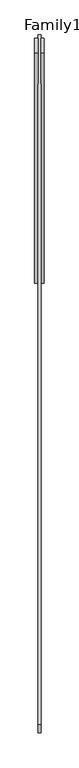
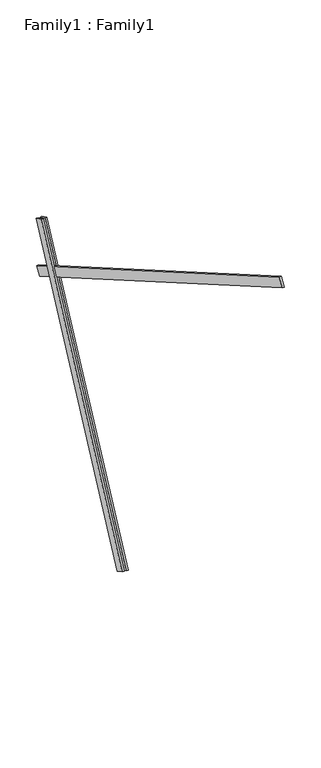
"""IFC4 building model written with IfcOpenShell, lengths in millimetres: proxy geometry, Family1 : Family1."""

from ifc_helpers import new_model, si_unit, frame, origin, place, context, project, spatial, polyline, outline, extrude, source, transform, mapped, element, save


def family1_family1_cbb7321f(model_context):
    return source(origin(), model_context, "Body", "SweptSolid", [
        extrude(outline(polyline([(0.0, 0.0), (0.0, -20.0), (-100.0000001, -20.0), (-100.0000001, 0.0), (0.0, 0.0)])), frame((-30.0, 46.3241747, -22.5938096), z_axis=(0.0, 0.4383711467890692, 0.8987940462991711), x_axis=(0.0, 0.8987940462991711, -0.4383711467890692)), (0.0, 0.0, 1.0), 3300.0),
        extrude(outline(polyline([(0.0, 0.0), (0.0, -20.0), (-99.9999999, -20.0), (-99.9999999, 0.0), (0.0, 0.0)])), frame((10.0, 45.270232, -22.0797674), z_axis=(0.0, 0.4383711467890692, 0.8987940462991711), x_axis=(0.0, 0.8987940462991711, -0.4383711467890692)), (0.0, 0.0, 1.0), 3300.0),
        extrude(outline(polyline([(0.0, -20.0), (0.0, 0.0), (5000.0000001, 0.0), (5000.0000001, -20.0), (0.0, -20.0)])), frame((-10.0, -2866.3754281, 4822.4532866), z_axis=(0.0, 0.5000000000000019, 0.8660254037844377), x_axis=(0.0, 0.8660254037844377, -0.5000000000000019)), (0.0, 0.0, 1.0), 100.0),
    ])


if __name__ == "__main__":
    model = new_model("IFC4")
    model_context = context("Model", 3, world=origin())
    ifc_project = project(units=[si_unit("LENGTHUNIT", "METRE", prefix="MILLI")], contexts=[model_context])
    site = spatial("IfcSite", under=ifc_project)
    building = spatial("IfcBuilding", under=site)
    placement = place(None, origin())
    family1_family1_shape = family1_family1_cbb7321f(model_context)
    element("IfcBuildingElementProxy", 1, Name="Family1 : Family1", ObjectType="Family1 : Family1", at=placement, inside=building, context=model_context, shape_type="MappedRepresentation", body=[
        mapped(family1_family1_shape, transform((0.0, 0.0, 0.0), x_axis=(1.0, 0.0, 0.0), y_axis=(0.0, 1.0, 0.0), z_axis=(0.0, 0.0, 1.0))),
    ])
    save(model, "model.ifc")
